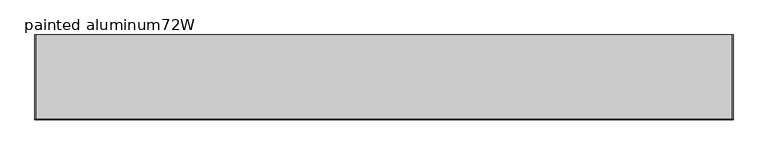
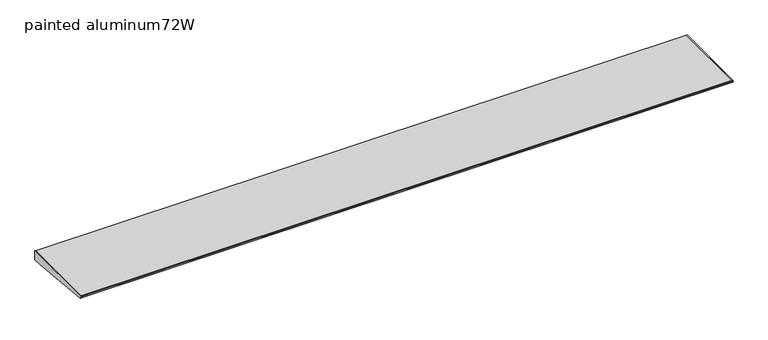
"""IFC4 building model written with IfcOpenShell, lengths in millimetres: furniture geometry, painted aluminum72W."""

from ifc_helpers import new_model, si_unit, frame, origin, place, context, project, spatial, polyline, outline, extrude, source, transform, mapped, element, save


def painted_aluminum72w_9d4b0378(model_context):
    return source(origin(), model_context, "Body", "SweptSolid", [
        extrude(outline(polyline([(-222.022331, 1326.4630555), (-220.8911683, 1327.9274729), (-218.9431893, 1328.53938), (0.0, 1328.53938), (0.0, 1303.13938), (-25.3684852, 1303.13938), (-219.3540346, 1322.2046036), (-221.1050905, 1322.949748), (-222.1155121, 1324.5623381), (-222.022331, 1326.4630555)])), frame((1824.2279999, 0.0, 0.0), z_axis=(1.0, 0.0, 0.0), x_axis=(0.0, 1.0, 0.0)), (0.0, 0.0, 1.0), 2.032),
        extrude(outline(polyline([(-222.022331, 1326.4630555), (-220.8911683, 1327.9274729), (-218.9431893, 1328.53938), (0.0, 1328.53938), (0.0, 1303.13938), (-25.3684852, 1303.13938), (-219.3540346, 1322.2046036), (-221.1050905, 1322.949748), (-222.1155121, 1324.5623381), (-222.022331, 1326.4630555)])), frame((2.5400001, 0.0, 0.0), z_axis=(1.0, 0.0, 0.0), x_axis=(0.0, 1.0, 0.0)), (0.0, 0.0, 1.0), 2.032),
        extrude(outline(polyline([(0.0, 1328.53938), (0.0, 1303.13938), (-25.3684852, 1303.13938), (-219.3540346, 1322.2046036), (-221.1050905, 1322.949748), (-222.1155121, 1324.5623381), (-222.022331, 1326.4630555), (-220.8911683, 1327.9274729), (-218.9431893, 1328.53938), (0.0, 1328.53938)])), frame((4.5720001, 0.0, 0.0), z_axis=(1.0, 0.0, 0.0), x_axis=(0.0, 1.0, 0.0)), (0.0, 0.0, 1.0), 1819.6559997),
    ])


if __name__ == "__main__":
    model = new_model("IFC4")
    model_context = context("Model", 3, world=origin())
    ifc_project = project(units=[si_unit("LENGTHUNIT", "METRE", prefix="MILLI")], contexts=[model_context])
    site = spatial("IfcSite", under=ifc_project)
    building = spatial("IfcBuilding", under=site)
    placement = place(None, origin())
    painted_aluminum72w_shape = painted_aluminum72w_9d4b0378(model_context)
    element("IfcFurniture", 1, ObjectType="painted aluminum72W", at=placement, inside=building, context=model_context, shape_type="MappedRepresentation", body=[
        mapped(painted_aluminum72w_shape, transform((0.0, 0.0, 0.0), x_axis=(1.0, 0.0, 0.0), y_axis=(0.0, 1.0, 0.0), z_axis=(0.0, 0.0, 1.0))),
    ])
    save(model, "model.ifc")
